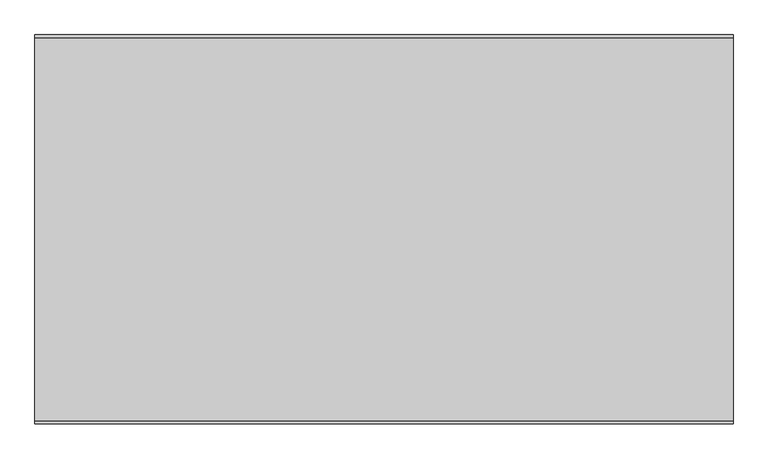
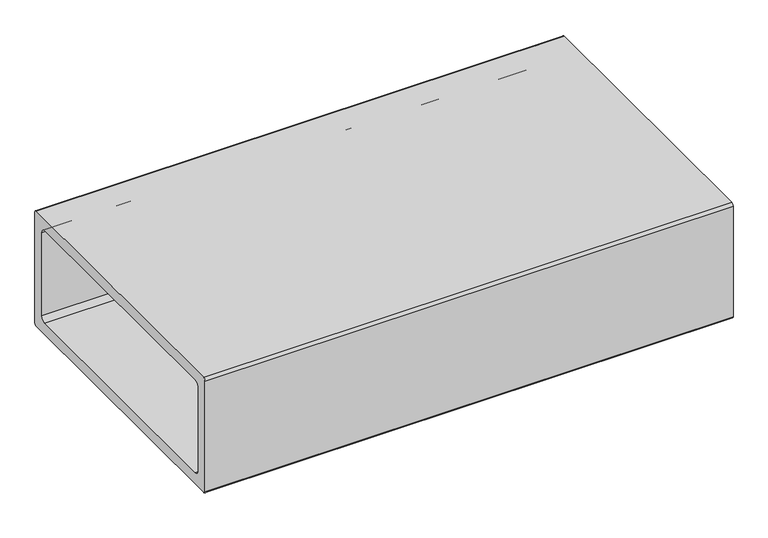
"""IFC4 building model written with IfcOpenShell, lengths in millimetres: furniture geometry."""

from ifc_helpers import new_model, si_unit, point, frame, frame_2d, origin, place, context, project, spatial, polyline, circle_curve, trimmed, segment, composite_curve, outline, extrude, faceted_brep, source, transform, mapped, element, save


def furniture_336d17a8(model_context):
    return source(origin(), model_context, "Body", "SolidModel", [
        faceted_brep([(591.287495, 327.8342493, 25.4000008), (588.112489, 324.6592432, 25.4000008), (588.112489, 280.2092311, 25.4000008), (591.287495, 277.0342432, 25.4000008), (635.737489, 277.0342432, 25.4000008), (638.912495, 280.2092311, 25.4000008), (638.912495, 324.6592432, 25.4000008), (635.737489, 327.8342493, 25.4000008), (638.912495, 331.0092372, 0.0), (642.0874829, 327.8342493, 0.0), (642.0874829, 277.0342432, 0.0), (638.912495, 273.8592553, 0.0), (588.112489, 273.8592553, 0.0), (584.9374829, 277.0342432, 0.0), (584.9374829, 327.8342493, 0.0), (588.112489, 331.0092372, 0.0), (591.287495, 327.8342493, 3.1750001), (588.112489, 324.6592432, 3.1750001), (588.112489, 280.2092311, 3.1750001), (591.287495, 277.0342432, 3.1750001), (635.737489, 277.0342432, 3.1750001), (638.912495, 280.2092311, 3.1750001), (638.912495, 324.6592432, 3.1750001), (635.737489, 327.8342493, 3.1750001), (638.912495, 331.0092372, 3.1750001), (588.112489, 331.0092372, 3.1750001), (584.9374829, 327.8342493, 3.1750001), (584.9374829, 277.0342432, 3.1750001), (588.112489, 273.8592553, 3.1750001), (638.912495, 273.8592553, 3.1750001), (642.0874829, 277.0342432, 3.1750001), (642.0874829, 327.8342493, 3.1750001)], [[[0, 1, 2, 3, 4, 5, 6, 7]], [[8, 9, 10, 11, 12, 13, 14, 15]], [[1, 0, 16, 17]], [[2, 1, 17, 18]], [[3, 2, 18, 19]], [[4, 3, 19, 20]], [[5, 4, 20, 21]], [[6, 5, 21, 22]], [[7, 6, 22, 23]], [[0, 7, 23, 16]], [[24, 25, 26, 27, 28, 29, 30, 31], [17, 16, 23, 22, 21, 20, 19, 18]], [[25, 24, 8, 15]], [[26, 25, 15, 14]], [[27, 26, 14, 13]], [[28, 27, 13, 12]], [[29, 28, 12, 11]], [[30, 29, 11, 10]], [[31, 30, 10, 9]], [[24, 31, 9, 8]]]),
        faceted_brep([(-634.262511, 327.8342493, 25.4000008), (-637.4375171, 324.6592432, 25.4000008), (-637.4375171, 280.2092311, 25.4000008), (-634.262511, 277.0342432, 25.4000008), (-589.8125171, 277.0342432, 25.4000008), (-586.637511, 280.2092311, 25.4000008), (-586.637511, 324.6592432, 25.4000008), (-589.8125171, 327.8342493, 25.4000008), (-586.637511, 331.0092372, 0.0), (-583.4625231, 327.8342493, 0.0), (-583.4625231, 277.0342432, 0.0), (-586.637511, 273.8592553, 0.0), (-637.4375171, 273.8592553, 0.0), (-640.6125231, 277.0342432, 0.0), (-640.6125231, 327.8342493, 0.0), (-637.4375171, 331.0092372, 0.0), (-634.262511, 327.8342493, 3.1750001), (-637.4375171, 324.6592432, 3.1750001), (-637.4375171, 280.2092311, 3.1750001), (-634.262511, 277.0342432, 3.1750001), (-589.8125171, 277.0342432, 3.1750001), (-586.637511, 280.2092311, 3.1750001), (-586.637511, 324.6592432, 3.1750001), (-589.8125171, 327.8342493, 3.1750001), (-586.637511, 331.0092372, 3.1750001), (-637.4375171, 331.0092372, 3.1750001), (-640.6125231, 327.8342493, 3.1750001), (-640.6125231, 277.0342432, 3.1750001), (-637.4375171, 273.8592553, 3.1750001), (-586.637511, 273.8592553, 3.1750001), (-583.4625231, 277.0342432, 3.1750001), (-583.4625231, 327.8342493, 3.1750001)], [[[0, 1, 2, 3, 4, 5, 6, 7]], [[8, 9, 10, 11, 12, 13, 14, 15]], [[1, 0, 16, 17]], [[2, 1, 17, 18]], [[3, 2, 18, 19]], [[4, 3, 19, 20]], [[5, 4, 20, 21]], [[6, 5, 21, 22]], [[7, 6, 22, 23]], [[0, 7, 23, 16]], [[24, 25, 26, 27, 28, 29, 30, 31], [17, 16, 23, 22, 21, 20, 19, 18]], [[25, 24, 8, 15]], [[26, 25, 15, 14]], [[27, 26, 14, 13]], [[28, 27, 13, 12]], [[29, 28, 12, 11]], [[30, 29, 11, 10]], [[31, 30, 10, 9]], [[24, 31, 9, 8]]]),
        faceted_brep([(-586.637511, -284.9407568, 3.1750001), (-637.4375171, -284.9407568, 3.1750001), (-640.6125231, -288.1157447, 3.1750001), (-640.6125231, -338.9157507, 3.1750001), (-637.4375171, -342.0907386, 3.1750001), (-586.637511, -342.0907386, 3.1750001), (-583.4625231, -338.9157507, 3.1750001), (-583.4625231, -288.1157447, 3.1750001), (-637.4375171, -291.2907507, 3.1750001), (-634.262511, -288.1157447, 3.1750001), (-589.8125171, -288.1157447, 3.1750001), (-586.637511, -291.2907507, 3.1750001), (-586.637511, -335.7407628, 3.1750001), (-589.8125171, -338.9157507, 3.1750001), (-634.262511, -338.9157507, 3.1750001), (-637.4375171, -335.7407628, 3.1750001), (-586.637511, -284.9407568, 0.0), (-583.4625231, -288.1157447, 0.0), (-583.4625231, -338.9157507, 0.0), (-586.637511, -342.0907386, 0.0), (-637.4375171, -342.0907386, 0.0), (-640.6125231, -338.9157507, 0.0), (-640.6125231, -288.1157447, 0.0), (-637.4375171, -284.9407568, 0.0), (-634.262511, -288.1157447, 25.4000008), (-637.4375171, -291.2907507, 25.4000008), (-637.4375171, -335.7407628, 25.4000008), (-634.262511, -338.9157507, 25.4000008), (-589.8125171, -338.9157507, 25.4000008), (-586.637511, -335.7407628, 25.4000008), (-586.637511, -291.2907507, 25.4000008), (-589.8125171, -288.1157447, 25.4000008)], [[[0, 1, 2, 3, 4, 5, 6, 7], [8, 9, 10, 11, 12, 13, 14, 15]], [[16, 17, 18, 19, 20, 21, 22, 23]], [[1, 0, 16, 23]], [[2, 1, 23, 22]], [[3, 2, 22, 21]], [[4, 3, 21, 20]], [[5, 4, 20, 19]], [[6, 5, 19, 18]], [[7, 6, 18, 17]], [[0, 7, 17, 16]], [[24, 25, 26, 27, 28, 29, 30, 31]], [[25, 24, 9, 8]], [[26, 25, 8, 15]], [[27, 26, 15, 14]], [[28, 27, 14, 13]], [[29, 28, 13, 12]], [[30, 29, 12, 11]], [[31, 30, 11, 10]], [[24, 31, 10, 9]]]),
        faceted_brep([(591.287495, -288.1157447, 25.4000008), (588.112489, -291.2907507, 25.4000008), (588.112489, -335.7407628, 25.4000008), (591.287495, -338.9157507, 25.4000008), (635.737489, -338.9157507, 25.4000008), (638.912495, -335.7407628, 25.4000008), (638.912495, -291.2907507, 25.4000008), (635.737489, -288.1157447, 25.4000008), (638.912495, -284.9407568, 0.0), (642.0874829, -288.1157447, 0.0), (642.0874829, -338.9157507, 0.0), (638.912495, -342.0907386, 0.0), (588.112489, -342.0907386, 0.0), (584.9374829, -338.9157507, 0.0), (584.9374829, -288.1157447, 0.0), (588.112489, -284.9407568, 0.0), (591.287495, -288.1157447, 3.1750001), (588.112489, -291.2907507, 3.1750001), (588.112489, -335.7407628, 3.1750001), (591.287495, -338.9157507, 3.1750001), (635.737489, -338.9157507, 3.1750001), (638.912495, -335.7407628, 3.1750001), (638.912495, -291.2907507, 3.1750001), (635.737489, -288.1157447, 3.1750001), (638.912495, -284.9407568, 3.1750001), (588.112489, -284.9407568, 3.1750001), (584.9374829, -288.1157447, 3.1750001), (584.9374829, -338.9157507, 3.1750001), (588.112489, -342.0907386, 3.1750001), (638.912495, -342.0907386, 3.1750001), (642.0874829, -338.9157507, 3.1750001), (642.0874829, -288.1157447, 3.1750001)], [[[0, 1, 2, 3, 4, 5, 6, 7]], [[8, 9, 10, 11, 12, 13, 14, 15]], [[1, 0, 16, 17]], [[2, 1, 17, 18]], [[3, 2, 18, 19]], [[4, 3, 19, 20]], [[5, 4, 20, 21]], [[6, 5, 21, 22]], [[7, 6, 22, 23]], [[0, 7, 23, 16]], [[24, 25, 26, 27, 28, 29, 30, 31], [17, 16, 23, 22, 21, 20, 19, 18]], [[25, 24, 8, 15]], [[26, 25, 15, 14]], [[27, 26, 14, 13]], [[28, 27, 13, 12]], [[29, 28, 12, 11]], [[30, 29, 11, 10]], [[31, 30, 10, 9]], [[24, 31, 9, 8]]]),
        extrude(outline(composite_curve([segment(trimmed(circle_curve(frame_2d((373.7950592, 336.55)), 6.35), [point((373.7950592, 342.9))], [point((380.1450592, 336.55))], False, "CARTESIAN"), True, "CONTINUOUS"), segment(polyline([(380.1450592, 336.55), (380.1450592, 31.7500008)]), True, "CONTINUOUS"), segment(trimmed(circle_curve(frame_2d((373.7950592, 31.7500008)), 6.35), [point((380.1450592, 31.7500008))], [point((373.7950592, 25.4000008))], False, "CARTESIAN"), True, "CONTINUOUS"), segment(polyline([(373.7950592, 25.4000008), (-381.8549408, 25.4000008)]), True, "CONTINUOUS"), segment(trimmed(circle_curve(frame_2d((-381.8549408, 31.7500008)), 6.35), [point((-381.8549408, 25.4000008))], [point((-388.2049408, 31.7500008))], False, "CARTESIAN"), True, "CONTINUOUS"), segment(polyline([(-388.2049408, 31.7500008), (-388.2049408, 336.55)]), True, "CONTINUOUS"), segment(trimmed(circle_curve(frame_2d((-381.8549408, 336.55)), 6.35), [point((-388.2049408, 336.55))], [point((-381.8549408, 342.9))], False, "CARTESIAN"), True, "CONTINUOUS"), segment(polyline([(-381.8549408, 342.9), (373.7950592, 342.9)]), True, "CONTINUOUS")], self_intersect=False), holes=[composite_curve([segment(trimmed(circle_curve(frame_2d((-343.7549408, 298.510531)), 12.7), [point((-343.7549408, 311.210531))], [point((-356.4549408, 298.510531))], True, "CARTESIAN"), True, "CONTINUOUS"), segment(polyline([(-356.4549408, 298.510531), (-356.4549408, 69.9105189)]), True, "CONTINUOUS"), segment(trimmed(circle_curve(frame_2d((-343.7549408, 69.9105189)), 12.7), [point((-356.4549408, 69.9105189))], [point((-343.7549408, 57.2105189))], True, "CARTESIAN"), True, "CONTINUOUS"), segment(polyline([(-343.7549408, 57.2105189), (335.6950592, 57.2105189)]), True, "CONTINUOUS"), segment(trimmed(circle_curve(frame_2d((335.6950592, 69.9105189)), 12.7), [point((335.6950592, 57.2105189))], [point((348.3950592, 69.9105189))], True, "CARTESIAN"), True, "CONTINUOUS"), segment(polyline([(348.3950592, 69.9105189), (348.3950592, 298.510531)]), True, "CONTINUOUS"), segment(trimmed(circle_curve(frame_2d((335.6950592, 298.510531)), 12.7), [point((348.3950592, 298.510531))], [point((335.6950592, 311.210531))], True, "CARTESIAN"), True, "CONTINUOUS"), segment(polyline([(335.6950592, 311.210531), (-343.7549408, 311.210531)]), True, "CONTINUOUS")], self_intersect=False)]), frame((-688.975, 0.0, 0.0), z_axis=(1.0, 0.0, 0.0), x_axis=(0.0, 1.0, 0.0)), (0.0, 0.0, 1.0), 1377.95),
    ])


if __name__ == "__main__":
    model = new_model("IFC4")
    model_context = context("Model", 3, world=origin())
    ifc_project = project(units=[si_unit("LENGTHUNIT", "METRE", prefix="MILLI")], contexts=[model_context])
    site = spatial("IfcSite", under=ifc_project)
    building = spatial("IfcBuilding", under=site)
    placement = place(None, origin())
    furniture_shape = furniture_336d17a8(model_context)
    element("IfcFurniture", 1, at=placement, inside=building, context=model_context, shape_type="MappedRepresentation", body=[
        mapped(furniture_shape, transform((0.0, 0.0, 0.0), x_axis=(1.0, 0.0, 0.0), y_axis=(0.0, 1.0, 0.0), z_axis=(0.0, 0.0, 1.0))),
    ])
    save(model, "model.ifc")
